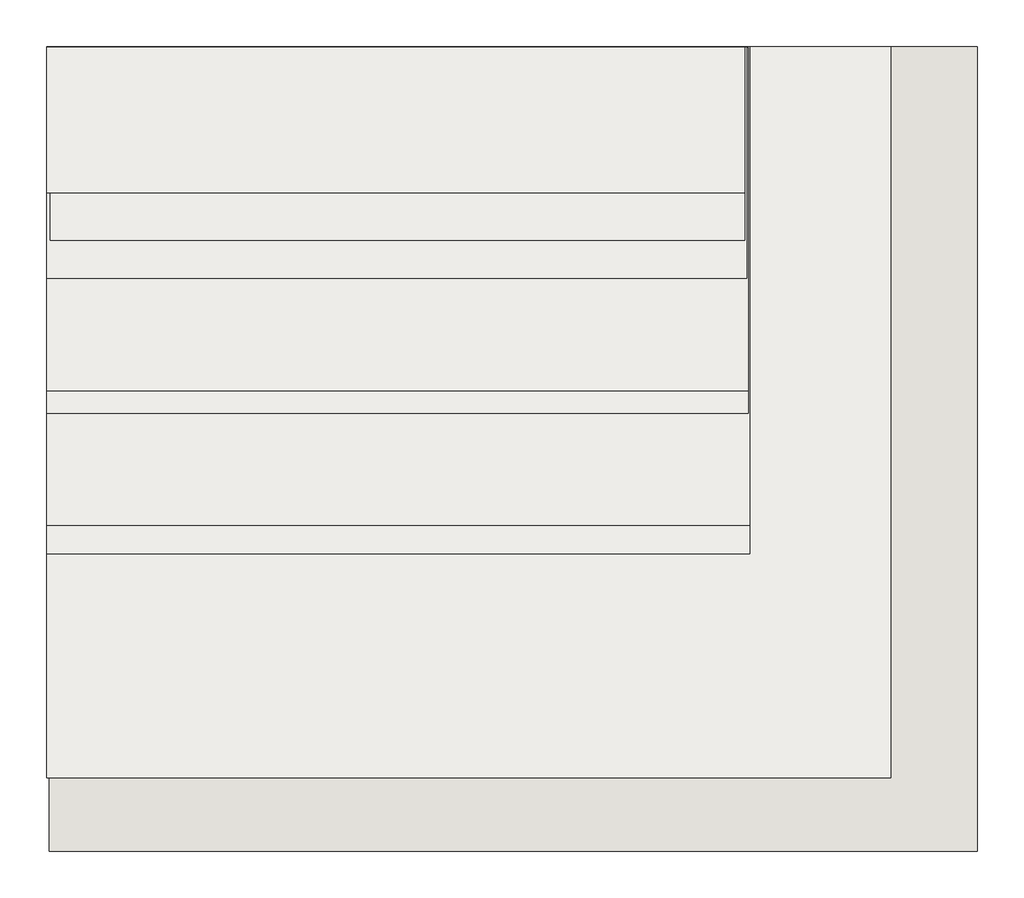
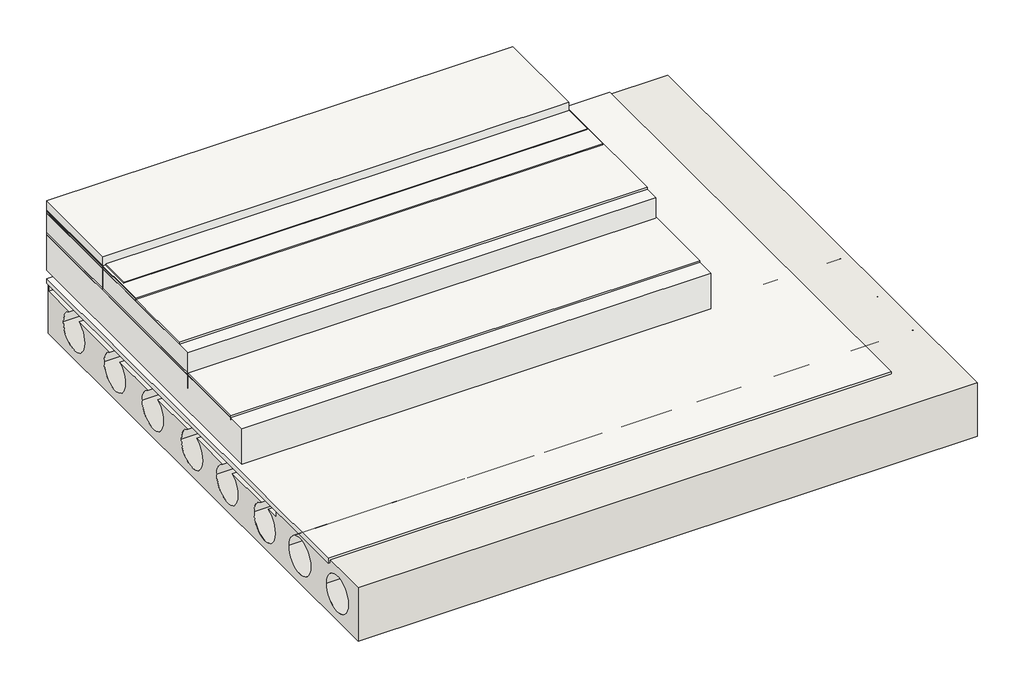
# One storey: 4 coverings, 4 slabs, 1 wall.
"""IFC4 building model written with IfcOpenShell, lengths in millimetres."""

from ifc_helpers import new_model, si_unit, frame, origin, place, context, project, spatial, polyline, circle_curve, outline, extrude, element, save
from ifc_brep_helpers import plane_surface, revolved_surface, advanced_brep

model = new_model("IFC4")

# Units and contexts
model_context = context("Model", 3, world=origin())
ifc_project = project(units=[si_unit("LENGTHUNIT", "METRE", prefix="MILLI")], contexts=[model_context])

# Site, building, storey
site = spatial("IfcSite", under=ifc_project)
building = spatial("IfcBuilding", under=site)
storey = spatial("IfcBuildingStorey", under=building, Elevation=0.0)

# Coverings
placement = place(None, origin())
element("IfcCovering", 1, at=placement, inside=storey, context=model_context, shape_type="SweptSolid", body=[
    extrude(outline(polyline([(5383.8242833, 2544.032132), (5383.8242833, -55.967868), (2383.8242833, -55.967868), (2383.8242833, 2544.032132), (5383.8242833, 2544.032132)])), frame((0.0, 0.0, -15.0), z_axis=(0.0, 0.0, 1.0), x_axis=(1.0, 0.0, 0.0)), (0.0, 0.0, 1.0), 27.0),
])
element("IfcCovering", 2, at=placement, inside=storey, context=model_context, shape_type="SweptSolid", body=[
    extrude(outline(polyline([(4882.8106907, 2542.6705908), (4882.8106907, 842.6705908), (2383.8242833, 842.6705908), (2383.8242833, 2542.6705908), (4882.8106907, 2542.6705908)])), frame((0.0, 0.0, 247.3623808), z_axis=(0.0, 0.0, 1.0), x_axis=(1.0, 0.0, 0.0)), (0.0, 0.0, 1.0), 22.0),
])
element("IfcCovering", 3, at=placement, inside=storey, context=model_context, shape_type="SweptSolid", body=[
    extrude(outline(polyline([(4877.8106907, 2540.348705), (4877.8106907, 1320.348705), (2383.8242833, 1320.348705), (2383.8242833, 2540.348705), (4877.8106907, 2540.348705)])), frame((0.0, 0.0, 371.852676), z_axis=(0.0, 0.0, 1.0), x_axis=(1.0, 0.0, 0.0)), (0.0, 0.0, 1.0), 22.0),
])
element("IfcCovering", 4, at=placement, inside=storey, context=model_context, shape_type="SweptSolid", body=[
    extrude(outline(polyline([(4866.4595163, 2542.9099499), (4866.4595163, 1855.1468544), (2396.4595163, 1855.1468544), (2396.4595163, 2542.9099499), (4866.4595163, 2542.9099499)])), frame((0.0, 0.0, 352.6331982), z_axis=(0.0, 0.0, 1.0), x_axis=(1.0, 0.0, 0.0)), (0.0, 0.0, 1.0), 52.0),
])

# Slabs
element("IfcSlab", 5, at=placement, inside=storey, context=model_context, shape_type="SweptSolid", body=[
    extrude(outline(polyline([(4882.8106907, 741.3815057), (2383.8242833, 741.3815057), (2383.8242833, 2541.3815057), (4882.8106907, 2541.3815057), (4882.8106907, 741.3815057)])), frame((0.0, 0.0, 60.0), z_axis=(0.0, 0.0, 1.0), x_axis=(1.0, 0.0, 0.0)), (0.0, 0.0, 1.0), 200.0),
])
element("IfcSlab", 6, at=placement, inside=storey, context=model_context, shape_type="SweptSolid", body=[
    extrude(outline(polyline([(4877.8106907, 1240.2967659), (2383.8242833, 1240.2967659), (2383.8242833, 2540.2967659), (4877.8106907, 2540.2967659), (4877.8106907, 1240.2967659)])), frame((0.0, 0.0, 183.3281205), z_axis=(0.0, 0.0, 1.0), x_axis=(1.0, 0.0, 0.0)), (0.0, 0.0, 1.0), 200.0),
])
element("IfcSlab", 7, at=placement, inside=storey, context=model_context, shape_type="SweptSolid", body=[
    extrude(outline(polyline([(4872.8106907, 1719.9206461), (2383.8242833, 1719.9206461), (2383.8242833, 2540.6605782), (4872.8106907, 2540.6605782), (4872.8106907, 1719.9206461)])), frame((0.0, 0.0, 389.3510823), z_axis=(0.0, 0.0, 1.0), x_axis=(1.0, 0.0, 0.0)), (0.0, 0.0, 1.0), 10.0),
])
element("IfcSlab", 8, at=placement, inside=storey, context=model_context, shape_type="SweptSolid", body=[
    extrude(outline(polyline([(4866.4595163, 2023.715393), (2383.8242833, 2023.715393), (2383.8242833, 2541.4821657), (4866.4595163, 2541.4821657), (4866.4595163, 2023.715393)])), frame((0.0, 0.0, 269.1911882), z_axis=(0.0, 0.0, 1.0), x_axis=(1.0, 0.0, 0.0)), (0.0, 0.0, 1.0), 182.0),
])

# Wall
element("IfcWall", 9, at=placement, inside=storey, context=model_context, shape_type="AdvancedBrep", body=[
    advanced_brep(
    [(2392.8106907, 2544.032132, -300.0), (2392.8106907, -315.967868, -300.0), (2392.8106907, -315.967868, 0.0), (2392.8106907, 439.0906915, 0.0), (2392.8106907, 439.0906915, -60.0), (2392.8106907, 512.7182548, -60.0), (2392.8106907, 444.8749926, -154.6886699), (2392.8106907, 644.8749926, -154.6886699), (2392.8106907, 577.0317303, -60.0), (2392.8106907, 843.9986055, -60.0), (2392.8106907, 788.6857071, -149.4598399), (2392.8106907, 988.6857071, -149.4598399), (2392.8106907, 933.3728087, -60.0), (2392.8106907, 1172.8449948, -60.0), (2392.8106907, 1115.2133804, -150.5810129), (2392.8106907, 1315.2133804, -150.5810129), (2392.8106907, 1257.581766, -60.0), (2392.8106907, 1532.4222469, -60.0), (2392.8106907, 1476.345767, -149.8372104), (2392.8106907, 1676.345767, -149.8372104), (2392.8106907, 1620.2692871, -60.0), (2392.8106907, 1881.7100757, -60.0), (2392.8106907, 1828.3746565, -148.4444283), (2392.8106907, 2028.3746565, -148.4444283), (2392.8106907, 1975.0392374, -60.0), (2392.8106907, 2257.3427631, -60.0), (2392.8106907, 2204.0073439, -148.4444283), (2392.8106907, 2404.0073439, -148.4444283), (2392.8106907, 2350.6719248, -60.0), (2392.8106907, 2539.0906915, -60.0), (2392.8106907, 2539.0906915, 0.0), (2392.8106907, 2544.032132, 0.0), (2392.8106907, -224.8659474, -149.1110787), (2392.8106907, -24.8659474, -149.1110787), (2392.8106907, 120.4407898, -146.4903423), (2392.8106907, 320.4407898, -146.4903423), (5692.8106907, -315.967868, -300.0), (5692.8106907, 2544.032132, -300.0), (5692.8106907, 2544.032132, 0.0), (5692.8106907, -315.967868, 0.0), (5692.8106907, -24.8659474, -149.1110787), (5692.8106907, -224.8659474, -149.1110787), (5692.8106907, 320.4407898, -146.4903423), (5692.8106907, 120.4407898, -146.4903423), (5692.8106907, 644.8749926, -154.6886699), (5692.8106907, 444.8749926, -154.6886699), (5692.8106907, 988.6857071, -149.4598399), (5692.8106907, 788.6857071, -149.4598399), (5692.8106907, 1315.2133804, -150.5810129), (5692.8106907, 1115.2133804, -150.5810129), (5692.8106907, 1676.345767, -149.8372104), (5692.8106907, 1476.345767, -149.8372104), (5692.8106907, 2028.3746565, -148.4444283), (5692.8106907, 1828.3746565, -148.4444283), (5692.8106907, 2404.0073439, -148.4444283), (5692.8106907, 2204.0073439, -148.4444283), (4892.8106907, 2539.0906915, 0.0), (4892.8106907, 439.0906915, 0.0), (4892.8106907, 512.7182548, -60.0), (4892.8106907, 577.0317303, -60.0), (4892.8106907, 843.9986055, -60.0), (4892.8106907, 933.3728087, -60.0), (4892.8106907, 1172.8449948, -60.0), (4892.8106907, 1257.581766, -60.0), (4892.8106907, 1532.4222469, -60.0), (4892.8106907, 1620.2692871, -60.0), (4892.8106907, 1881.7100757, -60.0), (4892.8106907, 1975.0392374, -60.0), (4892.8106907, 2257.3427631, -60.0), (4892.8106907, 2350.6719248, -60.0), (4892.8106907, 439.0906915, -60.0), (4892.8106907, 2539.0906915, -60.0)],
    [
        (0, 1),
        (1, 2),
        (2, 3),
        (3, 4),
        (4, 5),
        (5, 6, circle_curve(frame((2392.8106907, 544.8749926, -154.6886699), z_axis=(1.0, 0.0, 0.0), x_axis=(0.0, 1.0, 0.0)), 100.0)),
        (6, 7, circle_curve(frame((2392.8106907, 544.8749926, -154.6886699), z_axis=(1.0, 0.0, 0.0), x_axis=(0.0, 1.0, 0.0)), 100.0)),
        (7, 8, circle_curve(frame((2392.8106907, 544.8749926, -154.6886699), z_axis=(1.0, 0.0, 0.0), x_axis=(0.0, 1.0, 0.0)), 100.0)),
        (8, 9),
        (9, 10, circle_curve(frame((2392.8106907, 888.6857071, -149.4598399), z_axis=(1.0, 0.0, 0.0), x_axis=(0.0, 1.0, 0.0)), 100.0)),
        (10, 11, circle_curve(frame((2392.8106907, 888.6857071, -149.4598399), z_axis=(1.0, 0.0, 0.0), x_axis=(0.0, 1.0, 0.0)), 100.0)),
        (11, 12, circle_curve(frame((2392.8106907, 888.6857071, -149.4598399), z_axis=(1.0, 0.0, 0.0), x_axis=(0.0, 1.0, 0.0)), 100.0)),
        (12, 13),
        (13, 14, circle_curve(frame((2392.8106907, 1215.2133804, -150.5810129), z_axis=(1.0, 0.0, 0.0), x_axis=(0.0, 1.0, 0.0)), 100.0)),
        (14, 15, circle_curve(frame((2392.8106907, 1215.2133804, -150.5810129), z_axis=(1.0, 0.0, 0.0), x_axis=(0.0, 1.0, 0.0)), 100.0)),
        (15, 16, circle_curve(frame((2392.8106907, 1215.2133804, -150.5810129), z_axis=(1.0, 0.0, 0.0), x_axis=(0.0, 1.0, 0.0)), 100.0)),
        (16, 17),
        (17, 18, circle_curve(frame((2392.8106907, 1576.345767, -149.8372104), z_axis=(1.0, 0.0, 0.0), x_axis=(0.0, 1.0, 0.0)), 100.0)),
        (18, 19, circle_curve(frame((2392.8106907, 1576.345767, -149.8372104), z_axis=(1.0, 0.0, 0.0), x_axis=(0.0, 1.0, 0.0)), 100.0)),
        (19, 20, circle_curve(frame((2392.8106907, 1576.345767, -149.8372104), z_axis=(1.0, 0.0, 0.0), x_axis=(0.0, 1.0, 0.0)), 100.0)),
        (20, 21),
        (21, 22, circle_curve(frame((2392.8106907, 1928.3746565, -148.4444283), z_axis=(1.0, 0.0, 0.0), x_axis=(0.0, 1.0, 0.0)), 100.0)),
        (22, 23, circle_curve(frame((2392.8106907, 1928.3746565, -148.4444283), z_axis=(1.0, 0.0, 0.0), x_axis=(0.0, 1.0, 0.0)), 100.0)),
        (23, 24, circle_curve(frame((2392.8106907, 1928.3746565, -148.4444283), z_axis=(1.0, 0.0, 0.0), x_axis=(0.0, 1.0, 0.0)), 100.0)),
        (24, 25),
        (25, 26, circle_curve(frame((2392.8106907, 2304.0073439, -148.4444283), z_axis=(1.0, 0.0, 0.0), x_axis=(0.0, 1.0, 0.0)), 100.0)),
        (26, 27, circle_curve(frame((2392.8106907, 2304.0073439, -148.4444283), z_axis=(1.0, 0.0, 0.0), x_axis=(0.0, 1.0, 0.0)), 100.0)),
        (27, 28, circle_curve(frame((2392.8106907, 2304.0073439, -148.4444283), z_axis=(1.0, 0.0, 0.0), x_axis=(0.0, 1.0, 0.0)), 100.0)),
        (28, 29),
        (29, 30),
        (30, 31),
        (31, 0),
        (32, 33, circle_curve(frame((2392.8106907, -124.8659474, -149.1110787), z_axis=(1.0, 0.0, 0.0), x_axis=(0.0, 1.0, 0.0)), 100.0)),
        (33, 32, circle_curve(frame((2392.8106907, -124.8659474, -149.1110787), z_axis=(1.0, 0.0, 0.0), x_axis=(0.0, 1.0, 0.0)), 100.0)),
        (34, 35, circle_curve(frame((2392.8106907, 220.4407898, -146.4903423), z_axis=(1.0, 0.0, 0.0), x_axis=(0.0, 1.0, 0.0)), 100.0)),
        (35, 34, circle_curve(frame((2392.8106907, 220.4407898, -146.4903423), z_axis=(1.0, 0.0, 0.0), x_axis=(0.0, 1.0, 0.0)), 100.0)),
        (36, 37),
        (37, 38),
        (38, 39),
        (39, 36),
        (40, 41, circle_curve(frame((5692.8106907, -124.8659474, -149.1110787), z_axis=(-1.0, 0.0, 0.0), x_axis=(0.0, 1.0, 0.0)), 100.0)),
        (41, 40, circle_curve(frame((5692.8106907, -124.8659474, -149.1110787), z_axis=(-1.0, 0.0, 0.0), x_axis=(0.0, 1.0, 0.0)), 100.0)),
        (42, 43, circle_curve(frame((5692.8106907, 220.4407898, -146.4903423), z_axis=(-1.0, 0.0, 0.0), x_axis=(0.0, 1.0, 0.0)), 100.0)),
        (43, 42, circle_curve(frame((5692.8106907, 220.4407898, -146.4903423), z_axis=(-1.0, 0.0, 0.0), x_axis=(0.0, 1.0, 0.0)), 100.0)),
        (44, 45, circle_curve(frame((5692.8106907, 544.8749926, -154.6886699), z_axis=(-1.0, 0.0, 0.0), x_axis=(0.0, 1.0, 0.0)), 100.0)),
        (45, 44, circle_curve(frame((5692.8106907, 544.8749926, -154.6886699), z_axis=(-1.0, 0.0, 0.0), x_axis=(0.0, 1.0, 0.0)), 100.0)),
        (46, 47, circle_curve(frame((5692.8106907, 888.6857071, -149.4598399), z_axis=(-1.0, 0.0, 0.0), x_axis=(0.0, 1.0, 0.0)), 100.0)),
        (47, 46, circle_curve(frame((5692.8106907, 888.6857071, -149.4598399), z_axis=(-1.0, 0.0, 0.0), x_axis=(0.0, 1.0, 0.0)), 100.0)),
        (48, 49, circle_curve(frame((5692.8106907, 1215.2133804, -150.5810129), z_axis=(-1.0, 0.0, 0.0), x_axis=(0.0, 1.0, 0.0)), 100.0)),
        (49, 48, circle_curve(frame((5692.8106907, 1215.2133804, -150.5810129), z_axis=(-1.0, 0.0, 0.0), x_axis=(0.0, 1.0, 0.0)), 100.0)),
        (50, 51, circle_curve(frame((5692.8106907, 1576.345767, -149.8372104), z_axis=(-1.0, 0.0, 0.0), x_axis=(0.0, 1.0, 0.0)), 100.0)),
        (51, 50, circle_curve(frame((5692.8106907, 1576.345767, -149.8372104), z_axis=(-1.0, 0.0, 0.0), x_axis=(0.0, 1.0, 0.0)), 100.0)),
        (52, 53, circle_curve(frame((5692.8106907, 1928.3746565, -148.4444283), z_axis=(-1.0, 0.0, 0.0), x_axis=(0.0, 1.0, 0.0)), 100.0)),
        (53, 52, circle_curve(frame((5692.8106907, 1928.3746565, -148.4444283), z_axis=(-1.0, 0.0, 0.0), x_axis=(0.0, 1.0, 0.0)), 100.0)),
        (54, 55, circle_curve(frame((5692.8106907, 2304.0073439, -148.4444283), z_axis=(-1.0, 0.0, 0.0), x_axis=(0.0, 1.0, 0.0)), 100.0)),
        (55, 54, circle_curve(frame((5692.8106907, 2304.0073439, -148.4444283), z_axis=(-1.0, 0.0, 0.0), x_axis=(0.0, 1.0, 0.0)), 100.0)),
        (0, 37),
        (36, 1),
        (39, 2),
        (38, 31),
        (30, 56),
        (56, 57),
        (57, 3),
        (32, 41),
        (40, 33),
        (34, 43),
        (42, 35),
        (6, 45),
        (44, 7),
        (5, 58),
        (58, 59, circle_curve(frame((4892.8106907, 544.8749926, -154.6886699), z_axis=(-1.0, 0.0, 0.0), x_axis=(0.0, 1.0, 0.0)), 100.0)),
        (59, 8),
        (10, 47),
        (46, 11),
        (9, 60),
        (60, 61, circle_curve(frame((4892.8106907, 888.6857071, -149.4598399), z_axis=(-1.0, 0.0, 0.0), x_axis=(0.0, 1.0, 0.0)), 100.0)),
        (61, 12),
        (14, 49),
        (48, 15),
        (13, 62),
        (62, 63, circle_curve(frame((4892.8106907, 1215.2133804, -150.5810129), z_axis=(-1.0, 0.0, 0.0), x_axis=(0.0, 1.0, 0.0)), 100.0)),
        (63, 16),
        (18, 51),
        (50, 19),
        (17, 64),
        (64, 65, circle_curve(frame((4892.8106907, 1576.345767, -149.8372104), z_axis=(-1.0, 0.0, 0.0), x_axis=(0.0, 1.0, 0.0)), 100.0)),
        (65, 20),
        (22, 53),
        (52, 23),
        (21, 66),
        (66, 67, circle_curve(frame((4892.8106907, 1928.3746565, -148.4444283), z_axis=(-1.0, 0.0, 0.0), x_axis=(0.0, 1.0, 0.0)), 100.0)),
        (67, 24),
        (26, 55),
        (54, 27),
        (25, 68),
        (68, 69, circle_curve(frame((4892.8106907, 2304.0073439, -148.4444283), z_axis=(-1.0, 0.0, 0.0), x_axis=(0.0, 1.0, 0.0)), 100.0)),
        (69, 28),
        (70, 58),
        (4, 70),
        (69, 71),
        (71, 29),
        (67, 68),
        (65, 66),
        (63, 64),
        (61, 62),
        (59, 60),
        (57, 70),
        (71, 56),
    ],
    [
        plane_surface(frame((2392.8106907, 2544.032132, -300.0), z_axis=(-1.0, 0.0, 0.0), x_axis=(0.0, -1.0, 0.0))),
        plane_surface(frame((5692.8106907, 2544.032132, -300.0), z_axis=(1.0, 0.0, 0.0), x_axis=(0.0, 1.0, 0.0))),
        plane_surface(frame((2392.8106907, 2544.032132, -300.0), z_axis=(0.0, 0.0, -1.0), x_axis=(1.0, 0.0, 0.0))),
        plane_surface(frame((2392.8106907, -315.967868, -300.0), z_axis=(0.0, -1.0, 0.0), x_axis=(1.0, 0.0, 0.0))),
        plane_surface(frame((2392.8106907, -315.967868, 0.0), z_axis=(0.0, 0.0, 1.0), x_axis=(1.0, 0.0, 0.0))),
        plane_surface(frame((2392.8106907, 2544.032132, 0.0), z_axis=(0.0, 1.0, 0.0), x_axis=(1.0, 0.0, 0.0))),
        revolved_surface(polyline([(5692.8106907, -24.865947399999996, -149.1110787), (2392.8106907, -24.865947399999996, -149.1110787)]), (4042.8106907, -124.8659474, -149.1110787), (1.0, 0.0, 0.0)),
        revolved_surface(polyline([(5692.8106907, 320.4407898, -146.4903423), (2392.8106907, 320.4407898, -146.4903423)]), (4042.8106907, 220.4407898, -146.4903423), (1.0, 0.0, 0.0)),
        revolved_surface(polyline([(5692.8106907, 644.8749926, -154.6886699), (2392.8106907, 644.8749926, -154.6886699)]), (4042.8106907, 544.8749926, -154.6886699), (1.0, 0.0, 0.0)),
        revolved_surface(polyline([(5692.8106907, 988.6857071, -149.4598399), (2392.8106907, 988.6857071, -149.4598399)]), (4042.8106907, 888.6857071, -149.4598399), (1.0, 0.0, 0.0)),
        revolved_surface(polyline([(5692.8106907, 1315.2133804, -150.5810129), (2392.8106907, 1315.2133804, -150.5810129)]), (4042.8106907, 1215.2133804, -150.5810129), (1.0, 0.0, 0.0)),
        revolved_surface(polyline([(5692.8106907, 1676.345767, -149.8372104), (2392.8106907, 1676.345767, -149.8372104)]), (4042.8106907, 1576.345767, -149.8372104), (1.0, 0.0, 0.0)),
        revolved_surface(polyline([(5692.8106907, 2028.3746565, -148.4444283), (2392.8106907, 2028.3746565, -148.4444283)]), (4042.8106907, 1928.3746565, -148.4444283), (1.0, 0.0, 0.0)),
        revolved_surface(polyline([(5692.8106907, 2404.0073439, -148.4444283), (2392.8106907, 2404.0073439, -148.4444283)]), (4042.8106907, 2304.0073439, -148.4444283), (1.0, 0.0, 0.0)),
        plane_surface(frame((2383.8242833, 439.0906915, -60.0), z_axis=(0.0, 0.0, 1.0), x_axis=(-1.0, 0.0, 0.0))),
        plane_surface(frame((4892.8106907, 439.0906915, -60.0), z_axis=(0.0, 1.0, 0.0), x_axis=(0.0, 0.0, 1.0))),
        plane_surface(frame((2383.8242833, 2539.0906915, -60.0), z_axis=(0.0, -1.0, 0.0), x_axis=(0.0, 0.0, 1.0))),
        plane_surface(frame((4892.8106907, 2539.0906915, -60.0), z_axis=(-1.0, 0.0, 0.0), x_axis=(0.0, 0.0, 1.0))),
    ],
    [
        (0, [[1, 2, 3, 4, 5, 6, 7, 8, 9, 10, 11, 12, 13, 14, 15, 16, 17, 18, 19, 20, 21, 22, 23, 24, 25, 26, 27, 28, 29, 30, 31, 32], [33, 34], [35, 36]]),
        (1, [[37, 38, 39, 40], [41, 42], [43, 44], [45, 46], [47, 48], [49, 50], [51, 52], [53, 54], [55, 56]]),
        (2, [[-1, 57, -37, 58]]),
        (3, [[-2, -58, -40, 59]]),
        (4, [[-39, 60, -31, 61, 62, 63, -3, -59]]),
        (5, [[-32, -60, -38, -57]]),
        (6, [[-33, 64, -41, 65]]),
        (6, [[-34, -65, -42, -64]]),
        (7, [[-35, 66, -43, 67]]),
        (7, [[-36, -67, -44, -66]]),
        (8, [[-7, 68, -45, 69]]),
        (8, [[-46, -68, -6, 70, 71, 72, -8, -69]]),
        (9, [[-11, 73, -47, 74]]),
        (9, [[-48, -73, -10, 75, 76, 77, -12, -74]]),
        (10, [[-15, 78, -49, 79]]),
        (10, [[-50, -78, -14, 80, 81, 82, -16, -79]]),
        (11, [[-19, 83, -51, 84]]),
        (11, [[-52, -83, -18, 85, 86, 87, -20, -84]]),
        (12, [[-23, 88, -53, 89]]),
        (12, [[-54, -88, -22, 90, 91, 92, -24, -89]]),
        (13, [[-27, 93, -55, 94]]),
        (13, [[-56, -93, -26, 95, 96, 97, -28, -94]]),
        (14, [[98, -70, -5, 99]]),
        (14, [[100, 101, -29, -97]]),
        (14, [[102, -95, -25, -92]]),
        (14, [[103, -90, -21, -87]]),
        (14, [[104, -85, -17, -82]]),
        (14, [[105, -80, -13, -77]]),
        (14, [[106, -75, -9, -72]]),
        (15, [[-99, -4, -63, 107]]),
        (16, [[-101, 108, -61, -30]]),
        (17, [[-98, -107, -62, -108, -100, -96, -102, -91, -103, -86, -104, -81, -105, -76, -106, -71]]),
    ],
),
])

save(model, "model.ifc")
